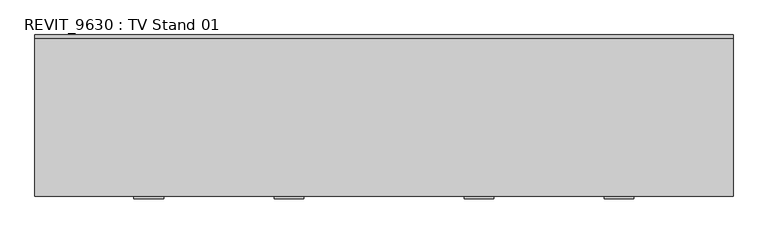
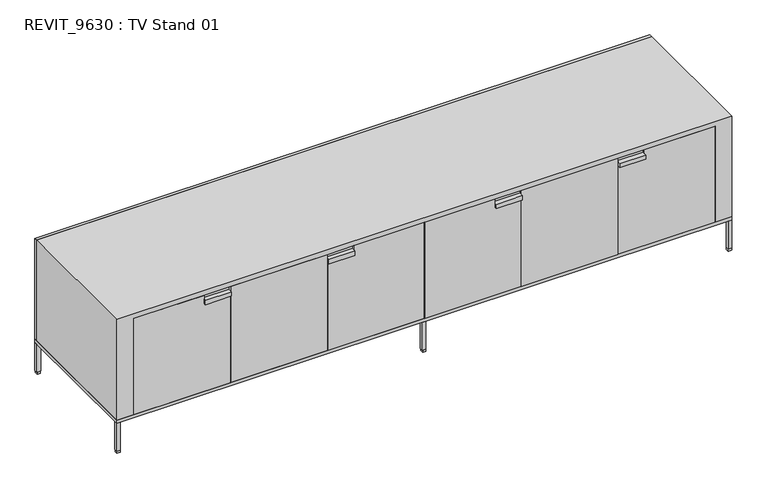
"""IFC4 building model written with IfcOpenShell, lengths in millimetres: furniture geometry, REVIT_9630 : TV Stand 01."""

from ifc_helpers import new_model, si_unit, frame, origin, origin_with_axes, place, context, project, spatial, polyline, outline, extrude, faceted_brep, source, transform, mapped, element, save


def revit_9630_tv_stand_01_292f4c09(model_context):
    return source(origin(), model_context, "Body", "SolidModel", [
        extrude(outline(polyline([(-1285.5878219, 287.8102152), (-1299.3644691, 287.8102152), (-1299.3644691, 301.5962015), (-1285.5878219, 301.5962015), (-1285.5878219, 287.8102152)])), origin_with_axes(), (0.0, 0.0, 1.0), 9.9885278),
        extrude(outline(polyline([(1299.6020907, 287.8102152), (1285.8254434, 287.8102152), (1285.8254434, 301.5962015), (1299.6020907, 301.5962015), (1299.6020907, 287.8102152)])), origin_with_axes(), (0.0, 0.0, 1.0), 9.9885278),
        extrude(outline(polyline([(6.7469482, 287.8102152), (-7.029699, 287.8102152), (-7.029699, 301.5962015), (6.7469482, 301.5962015), (6.7469482, 287.8102152)])), origin_with_axes(), (0.0, 0.0, 1.0), 9.9885278),
        extrude(outline(polyline([(-1284.9761455, 287.4140101), (-1299.9761455, 287.4140101), (-1299.9761455, 302.3410307), (-1284.9761455, 302.3410307), (-1284.9761455, 287.4140101)])), frame((0.0, 0.0, 9.9885278), z_axis=(0.0, 0.0, 1.0), x_axis=(1.0, 0.0, 0.0)), (0.0, 0.0, 1.0), 125.0),
        extrude(outline(polyline([(1300.213767, 287.4140101), (1285.213767, 287.4140101), (1285.213767, 302.3410307), (1300.213767, 302.3410307), (1300.213767, 287.4140101)])), frame((0.0, 0.0, 9.9885278), z_axis=(0.0, 0.0, 1.0), x_axis=(1.0, 0.0, 0.0)), (0.0, 0.0, 1.0), 125.0),
        extrude(outline(polyline([(7.3811892, 287.4140101), (-7.6188108, 287.4140101), (-7.6188108, 302.3410307), (7.3811892, 302.3410307), (7.3811892, 287.4140101)])), frame((0.0, 0.0, 9.9885278), z_axis=(0.0, 0.0, 1.0), x_axis=(1.0, 0.0, 0.0)), (0.0, 0.0, 1.0), 125.0),
        faceted_brep([(1300.0, -297.5874599, 599.9649778), (-1300.0, -297.5874599, 599.9649778), (-1300.0, -297.5874599, 149.9649778), (-1230.0, -297.5874599, 149.9649778), (-1230.0, -297.5874599, 579.9649778), (-409.0, -297.5874599, 579.9649778), (-298.9037995, -297.5874599, 579.9649778), (298.9037995, -297.5874599, 579.9649778), (409.0, -297.5874599, 579.9649778), (821.0, -297.5874599, 579.9649778), (931.0962005, -297.5874599, 579.9649778), (1230.0, -297.5874599, 579.9649778), (1230.0, -297.5874599, 149.9649778), (1300.0, -297.5874599, 149.9649778), (1300.0, 288.9152002, 599.9649778), (1300.0, 288.9152002, 149.9649778), (1230.0, 288.9152002, 149.9649778), (1230.0, 288.9152002, 579.9649778), (-1230.0, 288.9152002, 579.9649778), (-1230.0, 288.9152002, 149.9649778), (-1300.0, 288.9152002, 149.9649778), (-1300.0, 288.9152002, 599.9649778)], [[[0, 1, 2, 3, 4, 5, 6, 7, 8, 9, 10, 11, 12, 13]], [[14, 15, 16, 17, 18, 19, 20, 21]], [[1, 0, 14, 21]], [[2, 1, 21, 20]], [[3, 2, 20, 19]], [[4, 3, 19, 18]], [[18, 17, 11, 10, 9, 8, 7, 6, 5, 4]], [[12, 11, 17, 16]], [[13, 12, 16, 15]], [[0, 13, 15, 14]]]),
        faceted_brep([(-1230.0, -297.5874599, 579.9649778), (-1230.0, -297.5874599, 149.9649778), (-821.0, -297.5874599, 149.9649778), (-821.0, -297.5874599, 543.3625715), (-931.0, -297.5874599, 543.3625715), (-931.0, -297.5874599, 562.1179466), (-931.0962005, -297.5874599, 579.9649778), (-1230.0, -257.6, 579.9649778), (-821.0, -257.6, 579.9649778), (-821.0, -257.6, 149.9649778), (-1230.0, -257.6, 149.9649778), (-931.0962005, -287.6, 579.9649778), (-931.0962005, -287.6, 562.1179466), (-821.0, -287.6, 562.1179466), (-821.0, -287.6, 579.9649778), (-931.0, -307.6, 562.1179466), (-821.0, -307.6, 562.1179466), (-821.0, -307.6, 543.3625715), (-931.0, -307.6, 543.3625715)], [[[0, 1, 2, 3, 4, 5, 6]], [[7, 8, 9, 10]], [[11, 12, 13, 14]], [[12, 11, 6, 5]], [[13, 12, 5, 15, 16]], [[1, 0, 7, 10]], [[2, 1, 10, 9]], [[9, 8, 14, 13, 16, 17, 3, 2]], [[8, 7, 0, 6, 11, 14]], [[16, 15, 18, 17]], [[18, 15, 5, 4]], [[17, 18, 4, 3]]]),
        faceted_brep([(-411.0, -297.5874599, 579.9649778), (-819.0, -297.5874599, 579.9649778), (-819.0, -297.5874599, 149.9649778), (-411.0, -297.5874599, 149.9649778), (-411.0, -257.6, 579.9649778), (-411.0, -257.6, 149.9649778), (-819.0, -257.6, 149.9649778), (-819.0, -257.6, 579.9649778)], [[[0, 1, 2, 3]], [[4, 5, 6, 7]], [[1, 0, 4, 7]], [[2, 1, 7, 6]], [[3, 2, 6, 5]], [[0, 3, 5, 4]]]),
        faceted_brep([(-409.0, -297.5874599, 149.9649778), (-1.1188108, -297.5874599, 149.9649778), (-1.1188108, -297.5874599, 579.9649778), (-298.9037995, -297.5874599, 579.9649778), (-298.9037995, -297.5874599, 562.1179466), (-299.0, -297.5874599, 543.3625715), (-409.0, -297.5874599, 543.3625715), (-1.1188108, -257.6, 579.9649778), (-1.1188108, -257.6, 149.9649778), (-409.0, -257.6, 149.9649778), (-409.0, -257.6, 579.9649778), (-409.0, -287.6, 562.1179466), (-298.9037995, -287.6, 562.1179466), (-298.9037995, -287.6, 579.9649778), (-409.0, -287.6, 579.9649778), (-409.0, -307.6, 562.1179466), (-299.0, -307.6, 562.1179466), (-409.0, -307.6, 543.3625715), (-299.0, -307.6, 543.3625715)], [[[0, 1, 2, 3, 4, 5, 6]], [[7, 8, 9, 10]], [[11, 12, 13, 14]], [[13, 12, 4, 3]], [[12, 11, 15, 16, 4]], [[7, 10, 14, 13, 3, 2]], [[10, 9, 0, 6, 17, 15, 11, 14]], [[1, 0, 9, 8]], [[2, 1, 8, 7]], [[16, 15, 17, 18]], [[18, 17, 6, 5]], [[16, 18, 5, 4]]]),
        faceted_brep([(821.0, -297.5874599, 149.9649778), (1230.0, -297.5874599, 149.9649778), (1230.0, -297.5874599, 579.9649778), (931.0962005, -297.5874599, 579.9649778), (931.0962005, -297.5874599, 562.1179466), (931.0, -297.5874599, 543.3625715), (821.0, -297.5874599, 543.3625715), (1230.0, -257.6, 579.9649778), (1230.0, -257.6, 149.9649778), (821.0, -257.6, 149.9649778), (821.0, -257.6, 579.9649778), (821.0, -287.6, 579.9649778), (931.0962005, -287.6, 579.9649778), (821.0, -307.6, 543.3625715), (821.0, -307.6, 562.1179466), (821.0, -287.6, 562.1179466), (931.0962005, -287.6, 562.1179466), (931.0, -307.6, 562.1179466), (931.0, -307.6, 543.3625715)], [[[0, 1, 2, 3, 4, 5, 6]], [[7, 8, 9, 10]], [[7, 10, 11, 12, 3, 2]], [[10, 9, 0, 6, 13, 14, 15, 11]], [[1, 0, 9, 8]], [[2, 1, 8, 7]], [[15, 16, 12, 11]], [[12, 16, 4, 3]], [[16, 15, 14, 17, 4]], [[14, 13, 18, 17]], [[17, 18, 5, 4]], [[18, 13, 6, 5]]]),
        faceted_brep([(411.0, -297.5874599, 579.9649778), (411.0, -297.5874599, 149.9649778), (819.0, -297.5874599, 149.9649778), (819.0, -297.5874599, 579.9649778), (411.0, -257.6, 579.9649778), (819.0, -257.6, 579.9649778), (819.0, -257.6, 149.9649778), (411.0, -257.6, 149.9649778)], [[[0, 1, 2, 3]], [[4, 5, 6, 7]], [[1, 0, 4, 7]], [[2, 1, 7, 6]], [[3, 2, 6, 5]], [[0, 3, 5, 4]]]),
        faceted_brep([(1.1188108, -297.5874599, 579.9649778), (1.1188108, -297.5874599, 149.9649778), (409.0, -297.5874599, 149.9649778), (409.0, -297.5874599, 543.3625715), (299.0, -297.5874599, 543.3625715), (299.0, -297.5874599, 562.1179466), (298.9037995, -297.5874599, 579.9649778), (1.1188108, -257.6, 579.9649778), (409.0, -257.6, 579.9649778), (409.0, -257.6, 149.9649778), (1.1188108, -257.6, 149.9649778), (409.0, -287.6, 579.9649778), (409.0, -287.6, 562.1179466), (409.0, -307.6, 562.1179466), (409.0, -307.6, 543.3625715), (298.9037995, -287.6, 579.9649778), (298.9037995, -287.6, 562.1179466), (299.0, -307.6, 562.1179466), (299.0, -307.6, 543.3625715)], [[[0, 1, 2, 3, 4, 5, 6]], [[7, 8, 9, 10]], [[1, 0, 7, 10]], [[2, 1, 10, 9]], [[9, 8, 11, 12, 13, 14, 3, 2]], [[8, 7, 0, 6, 15, 11]], [[15, 16, 12, 11]], [[16, 15, 6, 5]], [[12, 16, 5, 17, 13]], [[17, 18, 14, 13]], [[14, 18, 4, 3]], [[18, 17, 5, 4]]]),
        extrude(outline(polyline([(-1285.5878219, -297.0839837), (-1299.3644691, -297.0839837), (-1299.3644691, -283.2979975), (-1285.5878219, -283.2979975), (-1285.5878219, -297.0839837)])), origin_with_axes(), (0.0, 0.0, 1.0), 9.9885278),
        extrude(outline(polyline([(1299.6020907, -297.0839837), (1285.8254434, -297.0839837), (1285.8254434, -283.2979975), (1299.6020907, -283.2979975), (1299.6020907, -297.0839837)])), origin_with_axes(), (0.0, 0.0, 1.0), 9.9885278),
        extrude(outline(polyline([(6.7469482, -297.0839837), (-7.029699, -297.0839837), (-7.029699, -283.2979975), (6.7469482, -283.2979975), (6.7469482, -297.0839837)])), origin_with_axes(), (0.0, 0.0, 1.0), 9.9885278),
        extrude(outline(polyline([(1300.0, 302.4140101), (1300.0, -297.4801888), (-1300.0, -297.4801888), (-1300.0, 302.4140101), (1300.0, 302.4140101)]), holes=[polyline([(1285.0, 287.4140101), (-1285.0, 287.4140101), (-1285.0, -282.4801888), (1285.0, -282.4801888), (1285.0, 287.4140101)])]), frame((0.0, 0.0, 135.0662287), z_axis=(0.0, 0.0, 1.0), x_axis=(1.0, 0.0, 0.0)), (0.0, 0.0, 1.0), 14.8987491),
        extrude(outline(polyline([(1229.7623784, 288.9152002), (1229.7623784, -257.6), (-1230.0, -257.6), (-1230.0, 288.9152002), (1229.7623784, 288.9152002)])), frame((0.0, 0.0, 149.9649778), z_axis=(0.0, 0.0, 1.0), x_axis=(1.0, 0.0, 0.0)), (0.0, 0.0, 1.0), 19.8218943),
        extrude(outline(polyline([(-1284.9761455, -297.4801888), (-1299.9761455, -297.4801888), (-1299.9761455, -282.5531682), (-1284.9761455, -282.5531682), (-1284.9761455, -297.4801888)])), frame((0.0, 0.0, 9.9885278), z_axis=(0.0, 0.0, 1.0), x_axis=(1.0, 0.0, 0.0)), (0.0, 0.0, 1.0), 125.0),
        extrude(outline(polyline([(1300.213767, -297.4801888), (1285.213767, -297.4801888), (1285.213767, -282.5531682), (1300.213767, -282.5531682), (1300.213767, -297.4801888)])), frame((0.0, 0.0, 9.9885278), z_axis=(0.0, 0.0, 1.0), x_axis=(1.0, 0.0, 0.0)), (0.0, 0.0, 1.0), 125.0),
        extrude(outline(polyline([(7.3811892, -297.4801888), (-7.6188108, -297.4801888), (-7.6188108, -282.5531682), (7.3811892, -282.5531682), (7.3811892, -297.4801888)])), frame((0.0, 0.0, 9.9885278), z_axis=(0.0, 0.0, 1.0), x_axis=(1.0, 0.0, 0.0)), (0.0, 0.0, 1.0), 125.0),
        extrude(outline(polyline([(1300.0, 288.9152002), (-1300.0, 288.9152002), (-1300.0, 302.4140101), (1300.0, 302.4140101), (1300.0, 288.9152002)])), frame((0.0, 0.0, 149.9649778), z_axis=(0.0, 0.0, 1.0), x_axis=(1.0, 0.0, 0.0)), (0.0, 0.0, 1.0), 450.0),
    ])


if __name__ == "__main__":
    model = new_model("IFC4")
    model_context = context("Model", 3, world=origin())
    ifc_project = project(units=[si_unit("LENGTHUNIT", "METRE", prefix="MILLI")], contexts=[model_context])
    site = spatial("IfcSite", under=ifc_project)
    building = spatial("IfcBuilding", under=site)
    placement = place(None, origin())
    revit_9630_tv_stand_01_shape = revit_9630_tv_stand_01_292f4c09(model_context)
    element("IfcFurniture", 1, ObjectType="REVIT_9630 : TV Stand 01", at=placement, inside=building, context=model_context, shape_type="MappedRepresentation", body=[
        mapped(revit_9630_tv_stand_01_shape, transform((0.0, 0.0, 0.0), x_axis=(1.0, 0.0, 0.0), y_axis=(0.0, 1.0, 0.0), z_axis=(0.0, 0.0, 1.0))),
    ])
    save(model, "model.ifc")
